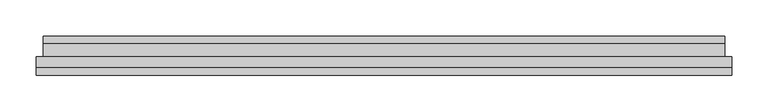
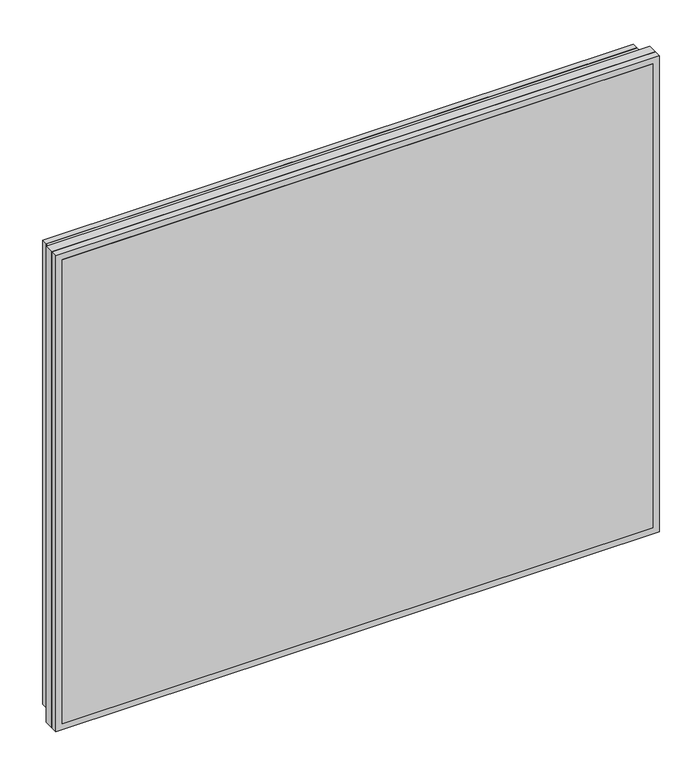
"""IFC4 building model written with IfcOpenShell, lengths in millimetres: plate geometry."""

from ifc_helpers import new_model, si_unit, frame, origin, place, context, project, spatial, polyline, outline, extrude, faceted_brep, source, transform, mapped, element, save


def plate_6ee47976(model_context):
    return source(origin(), model_context, "Body", "SolidModel", [
        extrude(outline(polyline([(469.9999999, -186.0), (-469.9999999, -186.0), (-469.9999999, -180.0), (469.9999999, -180.0), (469.9999999, -186.0)])), frame((0.0, 0.0, 10.0), z_axis=(0.0, 0.0, 1.0), x_axis=(1.0, 0.0, 0.0)), (0.0, 0.0, 1.0), 780.0),
        extrude(outline(polyline([(-469.9999999, -164.0), (-469.9999999, -160.0), (469.9999999, -160.0), (469.9999999, -164.0), (-469.9999999, -164.0)])), frame((0.0, 0.0, 10.0), z_axis=(0.0, 0.0, 1.0), x_axis=(1.0, 0.0, 0.0)), (0.0, 0.0, 1.0), 780.0),
        extrude(outline(polyline([(469.9999999, -142.0), (-469.9999999, -142.0), (-469.9999999, -132.0), (469.9999999, -132.0), (469.9999999, -142.0)])), frame((0.0, 0.0, 10.0), z_axis=(0.0, 0.0, 1.0), x_axis=(1.0, 0.0, 0.0)), (0.0, 0.0, 1.0), 780.0),
        extrude(outline(polyline([(0.0, 479.9999999), (800.0, 479.9999999), (800.0, -479.9999999), (0.0, -479.9999999), (0.0, 479.9999999)]), holes=[polyline([(790.0, 469.9999999), (10.0, 469.9999999), (10.0, -469.9999999), (790.0, -469.9999999), (790.0, 469.9999999)])]), frame((0.0, -174.8777766, 0.0), z_axis=(0.0, 1.0, 0.0), x_axis=(0.0, 0.0, 1.0)), (0.0, 0.0, 1.0), 14.8777766),
        extrude(outline(polyline([(10.0, 469.9999999), (790.0, 469.9999999), (790.0, -469.9999999), (10.0, -469.9999999), (10.0, 469.9999999)]), holes=[polyline([(773.3439539, 453.3439538), (26.6560461, 453.3439538), (26.6560461, -453.3439538), (773.3439539, -453.3439538), (773.3439539, 453.3439538)])]), frame((0.0, -180.0, 0.0), z_axis=(0.0, 1.0, 0.0), x_axis=(0.0, 0.0, 1.0)), (0.0, 0.0, 1.0), 16.0),
        extrude(outline(polyline([(10.0, 469.9999999), (790.0, 469.9999999), (790.0, -469.9999999), (10.0, -469.9999999), (10.0, 469.9999999)]), holes=[polyline([(773.3439539, 453.3439538), (26.6560461, 453.3439538), (26.6560461, -453.3439538), (773.3439539, -453.3439538), (773.3439539, 453.3439538)])]), frame((0.0, -160.0, 0.0), z_axis=(0.0, 1.0, 0.0), x_axis=(0.0, 0.0, 1.0)), (0.0, 0.0, 1.0), 18.0),
        faceted_brep([(453.3439538, -166.9999998, 773.3439539), (453.3439538, -166.9999998, 26.6560461), (450.3439538, -163.9999998, 29.6560461), (450.3439538, -163.9999998, 770.3439539), (453.3439538, -176.9999998, 773.3439539), (453.3439538, -176.9999998, 26.6560461), (450.3439538, -179.9999998, 770.3439539), (450.3439538, -179.9999998, 29.6560461), (446.3439538, -163.9999998, 766.3439539), (446.3439538, -163.9999998, 33.6560461), (446.3439538, -179.9999998, 33.6560461), (446.3439538, -179.9999998, 766.3439539), (-453.3439538, -166.9999998, 26.6560461), (-450.3439538, -163.9999998, 29.6560461), (-453.3439538, -176.9999998, 26.6560461), (-450.3439538, -179.9999998, 29.6560461), (-446.3439538, -163.9999998, 33.6560461), (-446.3439538, -179.9999998, 33.6560461), (-453.3439538, -166.9999998, 773.3439539), (-450.3439538, -163.9999998, 770.3439539), (-453.3439538, -176.9999998, 773.3439539), (-450.3439538, -179.9999998, 770.3439539), (-446.3439538, -163.9999998, 766.3439539), (-446.3439538, -179.9999998, 766.3439539)], [[[0, 1, 2, 3]], [[4, 5, 1, 0]], [[6, 7, 5, 4]], [[8, 9, 10, 11]], [[1, 12, 13, 2]], [[5, 14, 12, 1]], [[7, 15, 14, 5]], [[9, 16, 17, 10]], [[12, 18, 19, 13]], [[14, 20, 18, 12]], [[15, 21, 20, 14]], [[16, 22, 23, 17]], [[18, 0, 3, 19]], [[20, 4, 0, 18]], [[21, 6, 4, 20]], [[7, 6, 21, 15], [11, 10, 17, 23]], [[22, 8, 11, 23]], [[3, 2, 13, 19], [9, 8, 22, 16]]]),
        faceted_brep([(453.3439538, -145.5, 773.3439539), (453.3439538, -145.5, 26.6560461), (450.3439538, -142.0, 29.6560461), (450.3439538, -142.0, 770.3439539), (453.3439538, -156.5, 773.3439539), (453.3439538, -156.5, 26.6560461), (450.3439538, -160.0, 770.3439539), (450.3439538, -160.0, 29.6560461), (446.3439538, -142.0, 766.3439539), (446.3439538, -142.0, 33.6560461), (446.3439538, -160.0, 33.6560461), (446.3439538, -160.0, 766.3439539), (-453.3439538, -145.5, 26.6560461), (-450.3439538, -142.0, 29.6560461), (-453.3439538, -156.5, 26.6560461), (-450.3439538, -160.0, 29.6560461), (-446.3439538, -142.0, 33.6560461), (-446.3439538, -160.0, 33.6560461), (-453.3439538, -145.5, 773.3439539), (-450.3439538, -142.0, 770.3439539), (-453.3439538, -156.5, 773.3439539), (-450.3439538, -160.0, 770.3439539), (-446.3439538, -142.0, 766.3439539), (-446.3439538, -160.0, 766.3439539)], [[[0, 1, 2, 3]], [[4, 5, 1, 0]], [[6, 7, 5, 4]], [[8, 9, 10, 11]], [[1, 12, 13, 2]], [[5, 14, 12, 1]], [[7, 15, 14, 5]], [[9, 16, 17, 10]], [[12, 18, 19, 13]], [[14, 20, 18, 12]], [[15, 21, 20, 14]], [[16, 22, 23, 17]], [[18, 0, 3, 19]], [[20, 4, 0, 18]], [[21, 6, 4, 20]], [[7, 6, 21, 15], [11, 10, 17, 23]], [[22, 8, 11, 23]], [[3, 2, 13, 19], [9, 8, 22, 16]]]),
        faceted_brep([(469.9999999, -174.8777766, 790.0), (469.9999999, -174.8777766, 10.0), (469.9999999, -186.0, 10.0), (469.9999999, -186.0, 790.0), (479.9999999, -186.0, 800.0), (479.9999999, -186.0, 0.0), (479.9999999, -174.8777766, 0.0), (479.9999999, -174.8777766, 800.0), (-469.9999999, -174.8777766, 10.0), (-469.9999999, -186.0, 10.0), (-479.9999999, -186.0, 0.0), (-479.9999999, -174.8777766, 0.0), (-469.9999999, -174.8777766, 790.0), (-469.9999999, -186.0, 790.0), (-479.9999999, -186.0, 800.0), (-479.9999999, -174.8777766, 800.0)], [[[0, 1, 2, 3]], [[4, 5, 6, 7]], [[1, 8, 9, 2]], [[5, 10, 11, 6]], [[8, 12, 13, 9]], [[10, 14, 15, 11]], [[5, 4, 14, 10], [3, 2, 9, 13]], [[12, 0, 3, 13]], [[7, 6, 11, 15], [1, 0, 12, 8]], [[14, 4, 7, 15]]]),
    ])


if __name__ == "__main__":
    model = new_model("IFC4")
    model_context = context("Model", 3, world=origin())
    ifc_project = project(units=[si_unit("LENGTHUNIT", "METRE", prefix="MILLI")], contexts=[model_context])
    site = spatial("IfcSite", under=ifc_project)
    building = spatial("IfcBuilding", under=site)
    placement = place(None, origin())
    plate_shape = plate_6ee47976(model_context)
    element("IfcPlate", 1, at=placement, inside=building, context=model_context, shape_type="MappedRepresentation", body=[
        mapped(plate_shape, transform((0.0, 0.0, 0.0), x_axis=(1.0, 0.0, 0.0), y_axis=(0.0, 1.0, 0.0), z_axis=(0.0, 0.0, 1.0))),
    ])
    save(model, "model.ifc")
